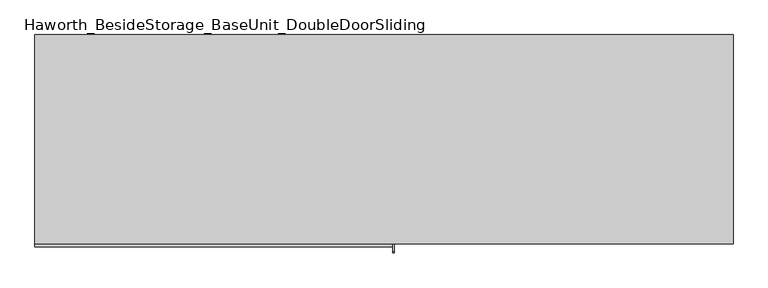
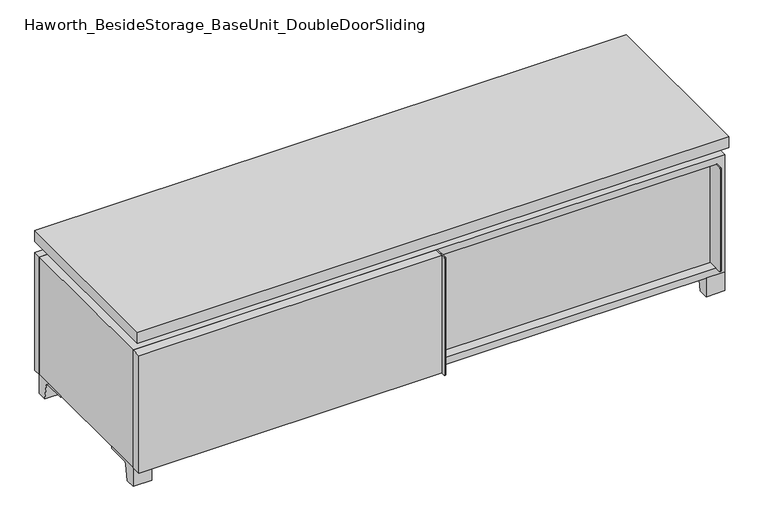
"""IFC4 building model written with IfcOpenShell, lengths in millimetres: furniture geometry, Haworth_BesideStorage_BaseUnit_DoubleDoorSliding."""

from ifc_helpers import new_model, si_unit, point, frame, frame_2d, origin, place, context, project, spatial, polyline, circle_curve, trimmed, segment, composite_curve, outline, extrude, faceted_brep, source, transform, mapped, element, save


def haworth_besidestorage_baseunit_doubledoorsliding_99bdefca(model_context):
    return source(origin(), model_context, "Body", "SolidModel", [
        extrude(outline(polyline([(9.5319453, 241.3), (742.9569453, 241.3), (742.9569453, -92.075), (9.5319453, -92.075), (9.5319453, 241.3)])), frame((0.0, 0.0, 201.6125), z_axis=(0.0, 0.0, 1.0), x_axis=(1.0, 0.0, 0.0)), (0.0, 0.0, 1.0), 19.05),
        extrude(outline(polyline([(-9.5041641, 241.3), (-9.5041641, -92.075), (-742.9291641, -92.075), (-742.9291641, 241.3), (-9.5041641, 241.3)])), frame((0.0, 0.0, 201.6125), z_axis=(0.0, 0.0, 1.0), x_axis=(1.0, 0.0, 0.0)), (0.0, 0.0, 1.0), 19.05),
        extrude(outline(composite_curve([segment(polyline([(47.6249864, 0.0), (22.225, 0.0), (22.225, 50.8), (117.475, 50.8), (117.475, 46.0213321), (60.6744655, 46.0213321)]), True, "CONTINUOUS"), segment(trimmed(circle_curve(frame_2d((60.6744655, 39.6713321)), 6.35), [point((60.6744655, 46.0213321))], [point((54.4108641, 40.7152656))], True, "CARTESIAN"), True, "CONTINUOUS"), segment(polyline([(54.4108641, 40.7152656), (47.6249864, 0.0)]), True, "CONTINUOUS")], self_intersect=False)), frame((-23.7986094, 0.0, 0.0), z_axis=(1.0, 0.0, 0.0), x_axis=(0.0, 1.0, 0.0)), (0.0, 0.0, 1.0), 47.625),
        extrude(outline(composite_curve([segment(polyline([(-95.25, 352.425), (-95.25, 69.85), (-161.925, 69.85)]), True, "CONTINUOUS"), segment(trimmed(circle_curve(frame_2d((-161.925, 73.025)), 3.175), [point((-161.925, 69.85))], [point((-165.1, 73.025))], False, "CARTESIAN"), True, "CONTINUOUS"), segment(polyline([(-165.1, 73.025), (-165.1, 349.25)]), True, "CONTINUOUS"), segment(trimmed(circle_curve(frame_2d((-161.925, 349.25)), 3.175), [point((-165.1, 349.25))], [point((-161.925, 352.425))], False, "CARTESIAN"), True, "CONTINUOUS"), segment(polyline([(-161.925, 352.425), (-95.25, 352.425)]), True, "CONTINUOUS")], self_intersect=False)), frame((739.7819453, 0.0, 0.0), z_axis=(1.0, 0.0, 0.0), x_axis=(0.0, 1.0, 0.0)), (0.0, 0.0, 1.0), 3.175),
        extrude(outline(polyline([(15.8819453, -95.25), (739.7819453, -95.25), (739.7819453, -120.65), (15.8819453, -120.65), (15.8819453, -95.25)])), frame((0.0, 0.0, 69.85), z_axis=(0.0, 0.0, 1.0), x_axis=(1.0, 0.0, 0.0)), (0.0, 0.0, 1.0), 282.575),
        extrude(outline(polyline([(762.0138906, 292.1), (762.0138906, -165.1), (-761.9861094, -165.1), (-761.9861094, 292.1), (762.0138906, 292.1)])), frame((0.0, 0.0, 401.6375), z_axis=(0.0, 0.0, 1.0), x_axis=(1.0, 0.0, 0.0)), (0.0, 0.0, 1.0), 30.1625),
        extrude(outline(composite_curve([segment(polyline([(-146.05, 371.475), (-146.05, 50.8), (-180.975, 50.8)]), True, "CONTINUOUS"), segment(trimmed(circle_curve(frame_2d((-180.975, 53.975)), 3.175), [point((-180.975, 50.8))], [point((-184.15, 53.975))], False, "CARTESIAN"), True, "CONTINUOUS"), segment(polyline([(-184.15, 53.975), (-184.15, 368.3)]), True, "CONTINUOUS"), segment(trimmed(circle_curve(frame_2d((-180.975, 368.3)), 3.175), [point((-184.15, 368.3))], [point((-180.975, 371.475))], False, "CARTESIAN"), True, "CONTINUOUS"), segment(polyline([(-180.975, 371.475), (-146.05, 371.475)]), True, "CONTINUOUS")], self_intersect=False)), frame((19.0638906, 0.0, 0.0), z_axis=(1.0, 0.0, 0.0), x_axis=(0.0, 1.0, 0.0)), (0.0, 0.0, 1.0), 3.175),
        extrude(outline(polyline([(-761.9861094, -146.05), (19.0638906, -146.05), (19.0638906, -171.45), (-761.9861094, -171.45), (-761.9861094, -146.05)])), frame((0.0, 0.0, 50.8), z_axis=(0.0, 0.0, 1.0), x_axis=(1.0, 0.0, 0.0)), (0.0, 0.0, 1.0), 320.675),
        extrude(outline(composite_curve([segment(polyline([(-120.6500136, 0.0), (-146.05, 0.0), (-146.05, 50.8), (-50.8, 50.8), (-50.8, 46.0213321), (-107.6005345, 46.0213321)]), True, "CONTINUOUS"), segment(trimmed(circle_curve(frame_2d((-107.6005345, 39.6713321)), 6.35), [point((-107.6005345, 46.0213321))], [point((-113.8641359, 40.7152656))], True, "CARTESIAN"), True, "CONTINUOUS"), segment(polyline([(-113.8641359, 40.7152656), (-120.6500136, 0.0)]), True, "CONTINUOUS")], self_intersect=False)), frame((714.3888906, 0.0, 0.0), z_axis=(1.0, 0.0, 0.0), x_axis=(0.0, 1.0, 0.0)), (0.0, 0.0, 1.0), 47.625),
        extrude(outline(composite_curve([segment(polyline([(247.6500136, 0.0), (240.8641359, 40.7152656)]), True, "CONTINUOUS"), segment(trimmed(circle_curve(frame_2d((234.6005345, 39.6713321)), 6.35), [point((240.8641359, 40.7152656))], [point((234.6005345, 46.0213321))], True, "CARTESIAN"), True, "CONTINUOUS"), segment(polyline([(234.6005345, 46.0213321), (177.8, 46.0213321), (177.8, 50.8), (273.05, 50.8), (273.05, 0.0), (247.6500136, 0.0)]), True, "CONTINUOUS")], self_intersect=False)), frame((714.3888906, 0.0, 0.0), z_axis=(1.0, 0.0, 0.0), x_axis=(0.0, 1.0, 0.0)), (0.0, 0.0, 1.0), 47.625),
        extrude(outline(composite_curve([segment(polyline([(-120.6500136, 0.0), (-146.05, 0.0), (-146.05, 50.8), (-50.8, 50.8), (-50.8, 46.0213321), (-107.6005345, 46.0213321)]), True, "CONTINUOUS"), segment(trimmed(circle_curve(frame_2d((-107.6005345, 39.6713321)), 6.35), [point((-107.6005345, 46.0213321))], [point((-113.8641359, 40.7152656))], True, "CARTESIAN"), True, "CONTINUOUS"), segment(polyline([(-113.8641359, 40.7152656), (-120.6500136, 0.0)]), True, "CONTINUOUS")], self_intersect=False)), frame((-761.9861094, 0.0, 0.0), z_axis=(1.0, 0.0, 0.0), x_axis=(0.0, 1.0, 0.0)), (0.0, 0.0, 1.0), 47.625),
        extrude(outline(composite_curve([segment(polyline([(247.6500136, 0.0), (240.8641359, 40.7152656)]), True, "CONTINUOUS"), segment(trimmed(circle_curve(frame_2d((234.6005345, 39.6713321)), 6.35), [point((240.8641359, 40.7152656))], [point((234.6005345, 46.0213321))], True, "CARTESIAN"), True, "CONTINUOUS"), segment(polyline([(234.6005345, 46.0213321), (177.8, 46.0213321), (177.8, 50.8), (273.05, 50.8), (273.05, 0.0), (247.6500136, 0.0)]), True, "CONTINUOUS")], self_intersect=False)), frame((-761.9861094, 0.0, 0.0), z_axis=(1.0, 0.0, 0.0), x_axis=(0.0, 1.0, 0.0)), (0.0, 0.0, 1.0), 47.625),
        faceted_brep([(7.9513906, -120.65, 401.6375), (7.9513906, -120.65, 371.475), (7.9513906, 53.975, 371.475), (7.9513906, 53.975, 401.6375), (7.9513906, 247.65, 371.475), (7.9513906, 247.65, 401.6375), (7.9513906, 73.025, 401.6375), (7.9513906, 73.025, 371.475), (-7.9236094, 247.65, 401.6375), (-7.9236094, 247.65, 371.475), (-7.9236094, 73.025, 371.475), (-7.9236094, 73.025, 401.6375), (-7.9236094, -120.65, 371.475), (-7.9236094, -120.65, 401.6375), (-7.9236094, 53.975, 401.6375), (-7.9236094, 53.975, 371.475), (-720.6833281, 73.025, 401.6375), (-720.7041641, 247.65, 401.6375), (-736.5791641, 247.65, 401.6375), (-736.5791641, -120.65, 401.6375), (-720.7041641, -120.65, 401.6375), (-720.7041641, 53.975, 401.6375), (720.7111094, 53.975, 401.6375), (720.7111094, -120.65, 401.6375), (736.5861094, -120.65, 401.6375), (736.5861094, 247.65, 401.6375), (720.7111094, 247.65, 401.6375), (720.7111094, 73.025, 401.6375), (-720.6833281, 53.975, 371.475), (-720.7041641, -120.65, 371.475), (-736.5791641, -120.65, 371.475), (-736.5791641, 247.65, 371.475), (-720.7041641, 247.65, 371.475), (-720.7041641, 73.025, 371.475), (720.7111094, 73.025, 371.475), (720.7111094, 247.65, 371.475), (736.5861094, 247.65, 371.475), (736.5861094, -120.65, 371.475), (720.7111094, -120.65, 371.475), (720.7111094, 53.975, 371.475)], [[[0, 1, 2, 3]], [[4, 5, 6, 7]], [[8, 9, 10, 11]], [[12, 13, 14, 15]], [[5, 8, 11, 16, 17, 18, 19, 20, 21, 14, 13, 0, 3, 22, 23, 24, 25, 26, 27, 6]], [[1, 12, 15, 28, 29, 30, 31, 32, 33, 10, 9, 4, 7, 34, 35, 36, 37, 38, 39, 2]], [[5, 4, 9, 8]], [[1, 0, 13, 12]], [[6, 27, 34, 7]], [[22, 3, 2, 39]], [[20, 29, 28, 21]], [[32, 17, 16, 33]], [[18, 31, 30, 19]], [[29, 20, 19, 30]], [[17, 32, 31, 18]], [[26, 35, 34, 27]], [[38, 23, 22, 39]], [[25, 24, 37, 36]], [[23, 38, 37, 24]], [[35, 26, 25, 36]], [[16, 11, 10, 33]], [[14, 21, 28, 15]]]),
        extrude(outline(polyline([(9.5388906, 241.3), (9.5388906, -95.25), (-9.5111094, -95.25), (-9.5111094, 241.3), (9.5388906, 241.3)])), frame((0.0, 0.0, 69.85), z_axis=(0.0, 0.0, 1.0), x_axis=(1.0, 0.0, 0.0)), (0.0, 0.0, 1.0), 282.575),
        extrude(outline(polyline([(15.8888906, -88.9), (15.8888906, -146.05), (-9.5111094, -146.05), (-9.5111094, -120.65), (3.1888906, -120.65), (3.1888906, -88.9), (15.8888906, -88.9)])), frame((0.0, 0.0, 69.85), z_axis=(0.0, 0.0, 1.0), x_axis=(1.0, 0.0, 0.0)), (0.0, 0.0, 1.0), 282.575),
        extrude(outline(polyline([(762.0138906, 273.05), (-761.9861094, 273.05), (-761.9861094, 292.1), (762.0138906, 292.1), (762.0138906, 273.05)])), frame((0.0, 0.0, 50.8), z_axis=(0.0, 0.0, 1.0), x_axis=(1.0, 0.0, 0.0)), (0.0, 0.0, 1.0), 320.675),
        extrude(outline(polyline([(50.8, -761.9861094), (50.8, 762.0), (371.475, 762.0), (371.475, -761.9861094), (50.8, -761.9861094)]), holes=[polyline([(69.85, -742.9361094), (352.425, -742.9361094), (352.425, 742.9361094), (69.85, 742.9361094), (69.85, -742.9361094)])]), frame((0.0, -146.05, 0.0), z_axis=(0.0, 1.0, 0.0), x_axis=(0.0, 0.0, 1.0)), (0.0, 0.0, 1.0), 419.1),
        extrude(outline(polyline([(-742.9291641, 241.3), (-742.9291641, 247.65), (742.9569453, 247.65), (742.9569453, 241.3), (-742.9291641, 241.3)])), frame((0.0, 0.0, 69.85), z_axis=(0.0, 0.0, 1.0), x_axis=(1.0, 0.0, 0.0)), (0.0, 0.0, 1.0), 282.575),
    ])


if __name__ == "__main__":
    model = new_model("IFC4")
    model_context = context("Model", 3, world=origin())
    ifc_project = project(units=[si_unit("LENGTHUNIT", "METRE", prefix="MILLI")], contexts=[model_context])
    site = spatial("IfcSite", under=ifc_project)
    building = spatial("IfcBuilding", under=site)
    placement = place(None, origin())
    haworth_besidestorage_baseunit_doubledoorsliding_shape = haworth_besidestorage_baseunit_doubledoorsliding_99bdefca(model_context)
    element("IfcFurniture", 1, ObjectType="Haworth_BesideStorage_BaseUnit_DoubleDoorSliding", at=placement, inside=building, context=model_context, shape_type="MappedRepresentation", body=[
        mapped(haworth_besidestorage_baseunit_doubledoorsliding_shape, transform((0.0, 0.0, 0.0), x_axis=(1.0, 0.0, 0.0), y_axis=(0.0, 1.0, 0.0), z_axis=(0.0, 0.0, 1.0))),
    ])
    save(model, "model.ifc")
